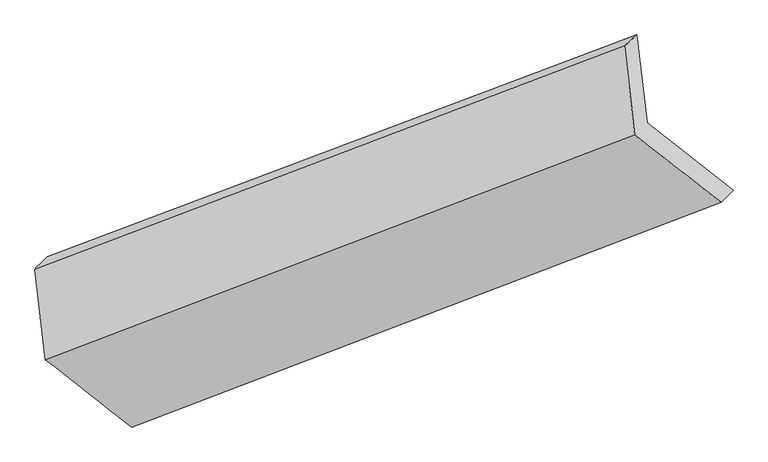
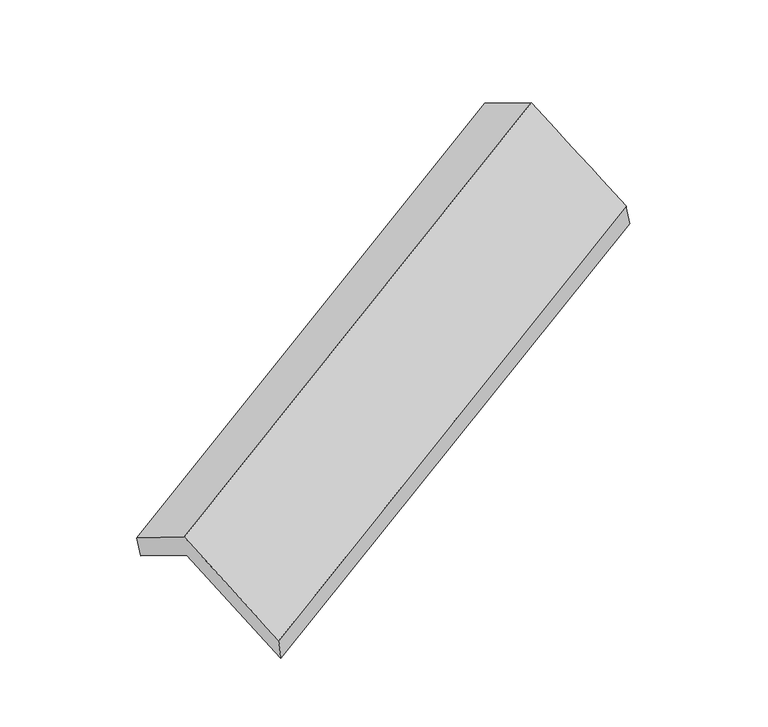
"""IFC4 building model written with IfcOpenShell, lengths in millimetres: proxy geometry."""

import ifcopenshell
import ifcopenshell.guid

model = None  # the IFC model being written
_history = None  # IfcOwnerHistory: only IFC2X3 demands one
_inside = {}  # id of a spatial element -> (the spatial element, [elements in it])
_under = {}  # id of a project, library or spatial element -> (it, [spatial elements below it])
_declared = {}  # id of a project -> (the project, [libraries it declares])
_typed = {}  # id of a type object -> (the type object, [elements of that type])
_made_of = {}  # id of a material, layer set ... -> (it, [elements and type objects made of it])


def new_model(schema):
    """Start an empty IFC model of exactly this schema.

    Asked for "IFC4X3", IfcOpenShell would pick the latest addendum, in which some entities
    have other attributes; the version numbers below select the first issue.
    IFC2X3 requires an IfcOwnerHistory on every rooted entity: one is made here for all.
    """
    global model, _history
    if schema == "IFC4X3":
        model = ifcopenshell.file(schema_version=(4, 3, 0, 0))
    else:
        model = ifcopenshell.file(schema=schema)
    _inside.clear()
    _under.clear()
    _declared.clear()
    _typed.clear()
    _made_of.clear()
    _history = None
    if model.schema == "IFC2X3":
        org = make("IfcOrganization", Name="unknown")
        user = make(
            "IfcPersonAndOrganization",
            ThePerson=make("IfcPerson", FamilyName="unknown"),
            TheOrganization=org,
        )
        app = make(
            "IfcApplication",
            ApplicationDeveloper=org,
            Version="unknown",
            ApplicationFullName="unknown",
            ApplicationIdentifier="unknown",
        )
        _history = make(
            "IfcOwnerHistory",
            OwningUser=user,
            OwningApplication=app,
            ChangeAction="ADDED",
            CreationDate=0,
        )
    return model


def make(cls, **values):
    """One entity of the class cls with the attributes given. An attribute that is None is left unset."""
    return model.create_entity(
        cls, **{name: value for name, value in values.items() if value is not None}
    )


def rooted(cls, **values):
    """An entity with a GlobalId (a new one), such as an element, a storey or a relation."""
    return make(cls, GlobalId=ifcopenshell.guid.new(), OwnerHistory=_history, **values)


def si_unit(unit_type, name, prefix=None):
    """IfcSIUnit, for example si_unit("LENGTHUNIT", "METRE", prefix="MILLI")."""
    return make("IfcSIUnit", UnitType=unit_type, Prefix=prefix, Name=name)


def assignment(units):
    """IfcUnitAssignment: the units of a project."""
    return None if units is None else make("IfcUnitAssignment", Units=units)


def point(xyz):
    """IfcCartesianPoint."""
    return None if xyz is None else make("IfcCartesianPoint", Coordinates=xyz)


def direction(xyz):
    """IfcDirection."""
    return None if xyz is None else make("IfcDirection", DirectionRatios=xyz)


def frame(location, z_axis=None, x_axis=None):
    """IfcAxis2Placement3D, a coordinate frame: its origin and axes. An axis left out is left unset."""
    return make(
        "IfcAxis2Placement3D",
        Location=point(location),
        Axis=direction(z_axis),
        RefDirection=direction(x_axis),
    )


def origin():
    """The frame at (0, 0, 0) with its axes left unset."""
    return frame((0.0, 0.0, 0.0))


def place(relative_to, where):
    """IfcLocalPlacement: puts the frame where relative to a parent placement (None: the world)."""
    return make(
        "IfcLocalPlacement", PlacementRelTo=relative_to, RelativePlacement=where
    )


def context(
    kind, dimensions, precision=None, world=None, true_north=None, identifier=None
):
    """IfcGeometricRepresentationContext, for example the 3D "Model" context."""
    return make(
        "IfcGeometricRepresentationContext",
        ContextIdentifier=identifier,
        ContextType=kind,
        CoordinateSpaceDimension=dimensions,
        Precision=precision,
        WorldCoordinateSystem=world,
        TrueNorth=true_north,
    )


def project(units=None, contexts=None):
    """IfcProject with its units and contexts."""
    return rooted(
        "IfcProject",
        Name="project",
        RepresentationContexts=contexts,
        UnitsInContext=assignment(units),
    )


def spatial(cls, under=None, at=None, **own):
    """A site, building, storey or space (cls), placed at a placement, below another one or the project."""
    s = rooted(cls, ObjectPlacement=at, **own)
    if under is not None:
        _under.setdefault(under.id(), (under, []))[1].append(s)
    return s


def shape(context_of_items, identifier, shape_type, items):
    """IfcShapeRepresentation: the items that make up one representation, for example the "Body"."""
    return make(
        "IfcShapeRepresentation",
        ContextOfItems=context_of_items,
        RepresentationIdentifier=identifier,
        RepresentationType=shape_type,
        Items=items,
    )


def source(mapping_origin, context_of_items, identifier, shape_type, items):
    """IfcRepresentationMap: a shape defined once, which mapped items show again and again."""
    return make(
        "IfcRepresentationMap",
        MappingOrigin=mapping_origin,
        MappedRepresentation=shape(context_of_items, identifier, shape_type, items),
    )


def transform(
    local_origin,
    x_axis=None,
    y_axis=None,
    z_axis=None,
    scale=None,
    scale2=None,
    scale3=None,
    uniform=True,
):
    """IfcCartesianTransformationOperator3D, or its non-uniform kind. x_axis, y_axis, z_axis: its Axis1, 2, 3."""
    if uniform:
        return make(
            "IfcCartesianTransformationOperator3D",
            Axis1=direction(x_axis),
            Axis2=direction(y_axis),
            LocalOrigin=point(local_origin),
            Scale=scale,
            Axis3=direction(z_axis),
        )
    return make(
        "IfcCartesianTransformationOperator3DnonUniform",
        Axis1=direction(x_axis),
        Axis2=direction(y_axis),
        LocalOrigin=point(local_origin),
        Scale=scale,
        Axis3=direction(z_axis),
        Scale2=scale2,
        Scale3=scale3,
    )


def mapped(mapping_source, mapping_target):
    """IfcMappedItem: shows the shape of a source again, moved by a transform."""
    return make(
        "IfcMappedItem", MappingSource=mapping_source, MappingTarget=mapping_target
    )


def made_of(thing, what):
    """Note that an element or type object is made of a material, layer set ...; save() writes the relation."""
    if what is not None:
        _made_of.setdefault(what.id(), (what, []))[1].append(thing)
    return thing


def element(
    cls,
    number,
    at=None,
    inside=None,
    cuts=None,
    type_object=None,
    material=None,
    context=None,
    identifier="Body",
    shape_type=None,
    held_by="IfcProductDefinitionShape",
    body=None,
    shapes=None,
    **own,
):
    """One element of the class cls, such as IfcWall. Its Tag is "e" and its number.

    at: its placement. inside: the storey or other place that contains it. cuts: it is an
    opening in that element (IfcRelVoidsElement). A single representation is given by context,
    identifier, shape_type and body (its items); several are given by shapes. held_by: the class
    of the entity that holds the representations. save() writes the other relations.
    """
    e = rooted(cls, Tag="e%d" % number, ObjectPlacement=at, **own)
    if body is not None:
        shapes = [shape(context, identifier, shape_type, body)]
    if shapes is not None:
        e.Representation = make(held_by, Representations=shapes)
    if inside is not None:
        _inside.setdefault(inside.id(), (inside, []))[1].append(e)
    if cuts is not None:
        rooted(
            "IfcRelVoidsElement", RelatingBuildingElement=cuts, RelatedOpeningElement=e
        )
    if type_object is not None:
        _typed.setdefault(type_object.id(), (type_object, []))[1].append(e)
    return made_of(e, material)


def aggregate(whole, parts):
    """IfcRelAggregates: a whole, such as a stair, and the parts it consists of."""
    return rooted("IfcRelAggregates", RelatingObject=whole, RelatedObjects=parts)


def save(model, path):
    """Write the relations noted so far, then the file.

    IfcRelAggregates (storeys below a building ...), IfcRelContainedInSpatialStructure (elements
    in a storey), IfcRelDefinesByType, IfcRelAssociatesMaterial and IfcRelDeclares: one each for
    every whole, place, type object, material and project.
    """
    for whole, parts in _under.values():
        aggregate(whole, parts)
    for where, things in _inside.values():
        rooted(
            "IfcRelContainedInSpatialStructure",
            RelatedElements=things,
            RelatingStructure=where,
        )
    for kind, things in _typed.values():
        rooted("IfcRelDefinesByType", RelatedObjects=things, RelatingType=kind)
    for what, things in _made_of.values():
        rooted("IfcRelAssociatesMaterial", RelatedObjects=things, RelatingMaterial=what)
    for by, libraries in _declared.values():
        rooted("IfcRelDeclares", RelatingContext=by, RelatedDefinitions=libraries)
    model.write(path)


def plane_surface(at):
    """IfcPlane: the flat surface through the origin of the frame at, square to its z axis."""
    return make("IfcPlane", Position=at)


def spline_surface(u_degree, v_degree, points, u_multiplicities, v_multiplicities, u_knots, v_knots, weights=None):
    """IfcBSplineSurfaceWithKnots; with weights, IfcRationalBSplineSurfaceWithKnots. points: one row for each step in u."""
    own = dict(
        UDegree=u_degree,
        VDegree=v_degree,
        ControlPointsList=[[point(p) for p in row] for row in points],
        SurfaceForm="UNSPECIFIED",
        UClosed=False,
        VClosed=False,
        SelfIntersect=False,
        UMultiplicities=u_multiplicities,
        VMultiplicities=v_multiplicities,
        UKnots=u_knots,
        VKnots=v_knots,
        KnotSpec="UNSPECIFIED",
    )
    if weights is None:
        return make("IfcBSplineSurfaceWithKnots", **own)
    return make("IfcRationalBSplineSurfaceWithKnots", WeightsData=weights, **own)


def advanced_brep(points, edges, surfaces, faces):
    """IfcAdvancedBrep: a solid bounded by faces that lie on surfaces and meet in shared edges.

    An edge is (start, end): straight between two places in points (the first is 0);
    or (start, end, curve); or (start, end, curve, False) where it runs against its curve.
    A face is (place in surfaces, loops), or (place, loops, False) where it looks against
    its surface's normal. A loop lists edges by number (the first is 1), with a minus sign
    where the edge is run from its end to its start. The first loop is the outer one.
    """
    corners = [point(p) for p in points]
    vertices = [make("IfcVertexPoint", VertexGeometry=c) for c in corners]
    made = []
    for start, end, *more in edges:
        made.append(
            make(
                "IfcEdgeCurve",
                EdgeStart=vertices[start],
                EdgeEnd=vertices[end],
                EdgeGeometry=more[0] if more else make("IfcPolyline", Points=[corners[start], corners[end]]),
                SameSense=more[1] if len(more) > 1 else True,
            )
        )
    hull = []
    for where, loops, *sense in faces:
        bounds = []
        for j, loop in enumerate(loops):
            ring = [make("IfcOrientedEdge", EdgeElement=made[abs(k) - 1], Orientation=k > 0) for k in loop]
            bounds.append(
                make(
                    "IfcFaceOuterBound" if j == 0 else "IfcFaceBound",
                    Bound=make("IfcEdgeLoop", EdgeList=ring),
                    Orientation=True,
                )
            )
        hull.append(make("IfcAdvancedFace", Bounds=bounds, FaceSurface=surfaces[where], SameSense=sense[0] if sense else True))
    return make("IfcAdvancedBrep", Outer=make("IfcClosedShell", CfsFaces=hull))


def generic_models_36224290(model_context):
    return source(origin(), model_context, "Body", "AdvancedBrep", [
        advanced_brep(
        [(-4199.5856764, -1979.6163158, 1538.7166063), (-4242.3704999, -1604.8591442, 1322.8258006), (-1729.3088298, -660.6934304, 2463.7357695), (-1686.5240062, -1035.450602, 2679.6265752), (-4294.7258648, -1658.0527527, 1482.1686472), (-1782.4509576, -707.8605486, 2619.5433904), (-4250.699229, -2043.6871, 1704.3255964), (-1739.2567427, -1086.2036263, 2837.4999714), (-3882.9853329, -2331.2264272, 1132.3234738), (-1371.0001984, -1373.5390787, 2265.7442068), (-3833.4628973, -2265.9114453, 969.1895666), (-1319.8609272, -1321.542739, 2110.3448274)],
        [
            (0, 1),
            (1, 2),
            (2, 3),
            (3, 0),
            (1, 4),
            (4, 5),
            (5, 2),
            (4, 6),
            (6, 7),
            (7, 5),
            (6, 8),
            (8, 9),
            (9, 7),
            (8, 10),
            (10, 11),
            (11, 9),
            (10, 0),
            (3, 11),
        ],
        [
            plane_surface(frame((-4220.9780881, -1792.23773, 1430.7712035), z_axis=(0.4980585454785373, -0.3894642561345765, -0.7747614332614555), x_axis=(-0.09844509719206047, 0.8622918864914714, -0.4967507074276041))),
            spline_surface(1, 1, [[(-4242.3704999, -1604.8591442, 1322.8258006), (-1729.3088298, -660.6934304, 2463.7357695)], [(-4294.7258648, -1658.0527527, 1482.1686472), (-1782.4509576, -707.8605486, 2619.5433904)]], [2, 2], [2, 2], [0.0, 1.0], [0.0, 1.0]),
            plane_surface(frame((-4272.7125469, -1850.8699264, 1593.2471218), z_axis=(-0.4980585454785479, 0.38946425613465874, 0.7747614332614077), x_axis=(0.09844509719204282, -0.862291886491423, 0.49675070742769195))),
            spline_surface(1, 1, [[(-4250.699229, -2043.6871, 1704.3255964), (-1739.2567427, -1086.2036263, 2837.4999714)], [(-3882.9853329, -2331.2264272, 1132.3234738), (-1371.0001984, -1373.5390787, 2265.7442068)]], [2, 2], [2, 2], [0.0, 1.0], [0.0, 1.0]),
            spline_surface(1, 1, [[(-3882.9853329, -2331.2264272, 1132.3234738), (-1371.0001984, -1373.5390787, 2265.7442068)], [(-3833.4628973, -2265.9114453, 969.1895666), (-1319.8609272, -1321.542739, 2110.3448274)]], [2, 2], [2, 2], [0.0, 1.0], [0.0, 1.0]),
            plane_surface(frame((-4016.5242869, -2122.7638806, 1253.9530865), z_axis=(-0.098445097192122, 0.8622918864914569, -0.4967507074276175), x_axis=(-0.49879336621092846, 0.38918797168820357, 0.774427466272467))),
            plane_surface(frame((-1604.7336103, -1030.8816708, 2496.0824568), z_axis=(0.8611119211013081, 0.3240145447110204, 0.3917918250205394), x_axis=(0.2979069213174204, 0.30289969123135185, -0.9052641842485143))),
            plane_surface(frame((-4117.3049167, -1980.5588642, 1358.2582818), z_axis=(-0.861537142620457, -0.32368239940502197, -0.39113099621582825), x_axis=(0.4980585454785447, -0.3894642561345799, -0.7747614332614491))),
        ],
        [
            (0, [[1, 2, 3, 4]]),
            (1, [[5, 6, 7, -2]]),
            (2, [[8, 9, 10, -6]]),
            (3, [[11, 12, 13, -9]]),
            (4, [[14, 15, 16, -12]]),
            (5, [[17, -4, 18, -15]]),
            (6, [[-16, -18, -3, -7, -10, -13]]),
            (7, [[-17, -14, -11, -8, -5, -1]]),
        ],
    ),
    ])


if __name__ == "__main__":
    model = new_model("IFC4")
    model_context = context("Model", 3, world=origin())
    ifc_project = project(units=[si_unit("LENGTHUNIT", "METRE", prefix="MILLI")], contexts=[model_context])
    site = spatial("IfcSite", under=ifc_project)
    building = spatial("IfcBuilding", under=site)
    placement = place(None, origin())
    generic_models_shape = generic_models_36224290(model_context)
    element("IfcBuildingElementProxy", 1, Name="Generic Models", at=placement, inside=building, context=model_context, shape_type="MappedRepresentation", body=[
        mapped(generic_models_shape, transform((0.0, 0.0, 0.0), x_axis=(1.0, 0.0, 0.0), y_axis=(0.0, 1.0, 0.0), z_axis=(0.0, 0.0, 1.0))),
    ])
    save(model, "model.ifc")
